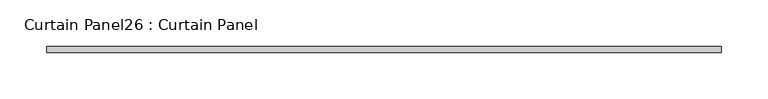
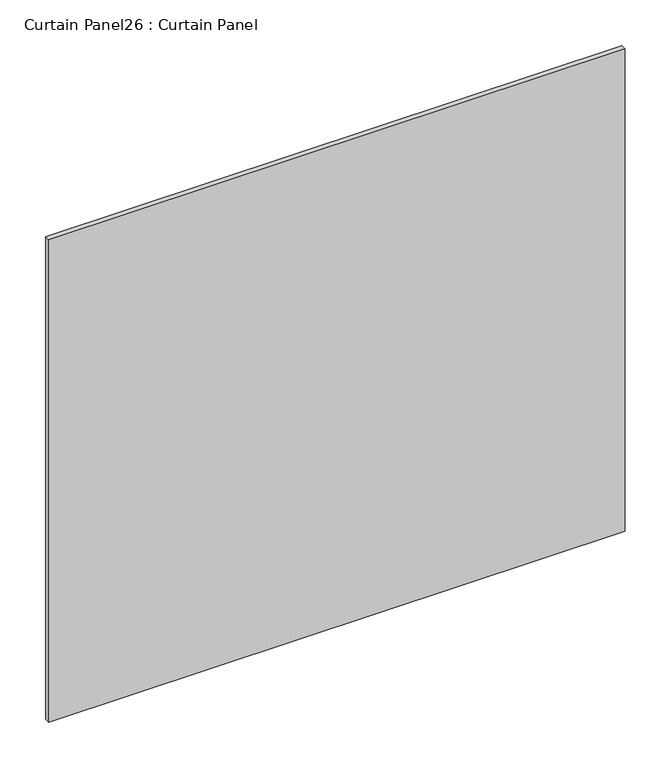
"""IFC4 building model written with IfcOpenShell, lengths in millimetres: plate geometry, Curtain Panel26 : Curtain Panel."""

from ifc_helpers import new_model, si_unit, frame, origin, place, context, project, spatial, polyline, outline, extrude, source, transform, mapped, element, save


def curtain_panel26_curtain_panel_a2351257(model_context):
    return source(origin(), model_context, "Body", "SweptSolid", [
        extrude(outline(polyline([(3964.1691674, 3568.3617926), (3240.5623895, 3568.3617926), (3240.5623895, 3574.7117926), (3964.1691674, 3574.7117926), (3964.1691674, 3568.3617926)])), frame((0.0, 0.0, 1352.1319583), z_axis=(0.0, 0.0, 1.0), x_axis=(1.0, 0.0, 0.0)), (0.0, 0.0, 1.0), 640.0694167),
    ])


if __name__ == "__main__":
    model = new_model("IFC4")
    model_context = context("Model", 3, world=origin())
    ifc_project = project(units=[si_unit("LENGTHUNIT", "METRE", prefix="MILLI")], contexts=[model_context])
    site = spatial("IfcSite", under=ifc_project)
    building = spatial("IfcBuilding", under=site)
    placement = place(None, origin())
    curtain_panel26_curtain_panel_shape = curtain_panel26_curtain_panel_a2351257(model_context)
    element("IfcPlate", 1, ObjectType="Curtain Panel26 : Curtain Panel", at=placement, inside=building, context=model_context, shape_type="MappedRepresentation", body=[
        mapped(curtain_panel26_curtain_panel_shape, transform((0.0, 0.0, 0.0), x_axis=(1.0, 0.0, 0.0), y_axis=(0.0, 1.0, 0.0), z_axis=(0.0, 0.0, 1.0))),
    ])
    save(model, "model.ifc")
